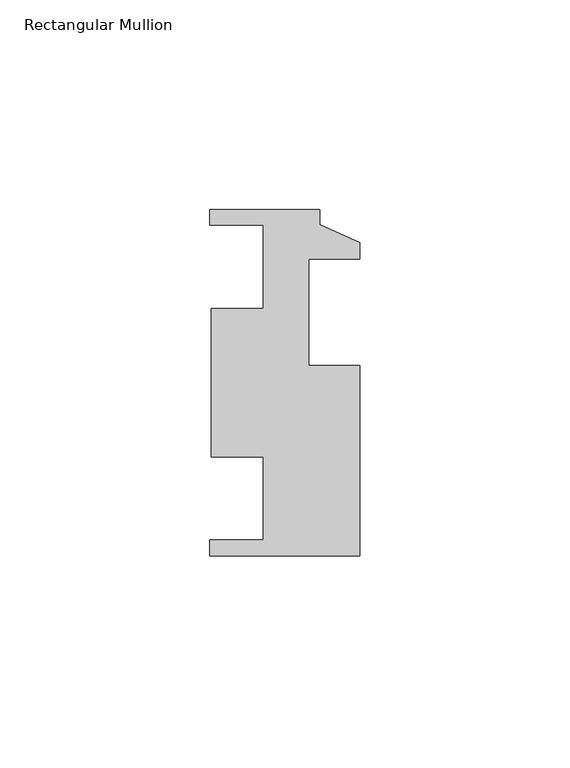
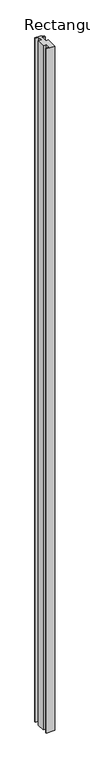
"""IFC4 building model written with IfcOpenShell, lengths in millimetres: member geometry, Rectangular Mullion."""

from ifc_helpers import new_model, si_unit, frame, origin, place, context, project, spatial, polyline, outline, extrude, source, transform, mapped, element, save


def rectangular_mullion_7aa92b6e(model_context):
    return source(origin(), model_context, "Body", "SweptSolid", [
        extrude(outline(polyline([(-35.7632, -36.9996467), (-35.7632, -33.2658467), (-23.0632, -33.2658467), (-23.0632, -13.4284467), (-35.4175073, -13.4284467), (-35.4175073, 21.9791533), (-23.0632, 21.9791533), (-23.0632, 41.8165533), (-35.7632, 41.8165533), (-35.7632, 45.5503533), (-9.525, 45.5503533), (-9.525, 41.9435533), (0.0, 37.6255533), (0.0, 33.7139533), (-12.2174, 33.7139533), (-12.2174, 8.3139533), (0.0, 8.3139533), (0.0, -36.9996467), (-35.7632, -36.9996467)])), frame((0.0, 0.0, -3048.0), z_axis=(0.0, 0.0, 1.0), x_axis=(1.0, 0.0, 0.0)), (0.0, 0.0, 1.0), 3048.0),
    ])


if __name__ == "__main__":
    model = new_model("IFC4")
    model_context = context("Model", 3, world=origin())
    ifc_project = project(units=[si_unit("LENGTHUNIT", "METRE", prefix="MILLI")], contexts=[model_context])
    site = spatial("IfcSite", under=ifc_project)
    building = spatial("IfcBuilding", under=site)
    placement = place(None, origin())
    rectangular_mullion_shape = rectangular_mullion_7aa92b6e(model_context)
    element("IfcMember", 1, ObjectType="Rectangular Mullion", at=placement, inside=building, context=model_context, shape_type="MappedRepresentation", body=[
        mapped(rectangular_mullion_shape, transform((0.0, 0.0, 0.0), x_axis=(1.0, 0.0, 0.0), y_axis=(0.0, 1.0, 0.0), z_axis=(0.0, 0.0, 1.0))),
    ])
    save(model, "model.ifc")
